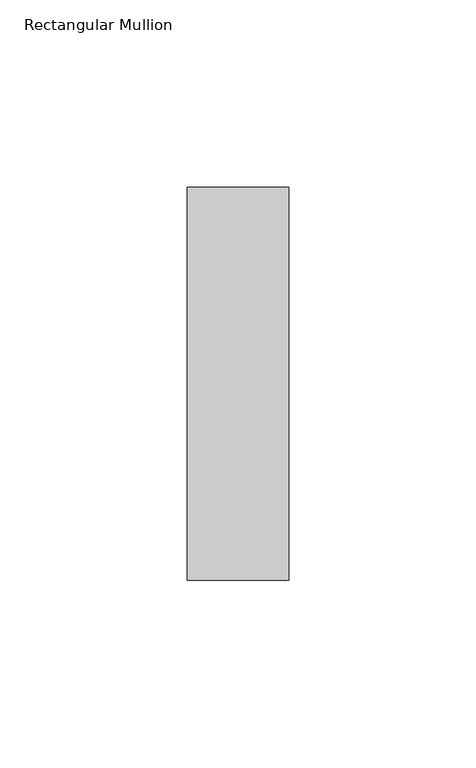
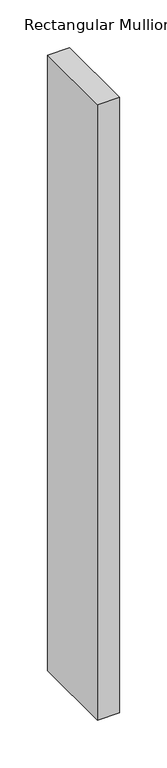
"""IFC4 building model written with IfcOpenShell, lengths in millimetres: member geometry, Rectangular Mullion."""

from ifc_helpers import new_model, si_unit, frame, origin, place, context, project, spatial, polyline, outline, extrude, source, transform, mapped, element, save


def rectangular_mullion_979d791b(model_context):
    return source(origin(), model_context, "Body", "SweptSolid", [
        extrude(outline(polyline([(0.0, 52.3975), (0.0, -52.3975), (-27.0, -52.3975), (-27.0, 52.3975), (0.0, 52.3975)])), frame((0.0, 0.0, -788.8333333), z_axis=(0.0, 0.0, 1.0), x_axis=(1.0, 0.0, 0.0)), (0.0, 0.0, 1.0), 788.8333333),
    ])


if __name__ == "__main__":
    model = new_model("IFC4")
    model_context = context("Model", 3, world=origin())
    ifc_project = project(units=[si_unit("LENGTHUNIT", "METRE", prefix="MILLI")], contexts=[model_context])
    site = spatial("IfcSite", under=ifc_project)
    building = spatial("IfcBuilding", under=site)
    placement = place(None, origin())
    rectangular_mullion_shape = rectangular_mullion_979d791b(model_context)
    element("IfcMember", 1, ObjectType="Rectangular Mullion", at=placement, inside=building, context=model_context, shape_type="MappedRepresentation", body=[
        mapped(rectangular_mullion_shape, transform((0.0, 0.0, 0.0), x_axis=(1.0, 0.0, 0.0), y_axis=(0.0, 1.0, 0.0), z_axis=(0.0, 0.0, 1.0))),
    ])
    save(model, "model.ifc")
